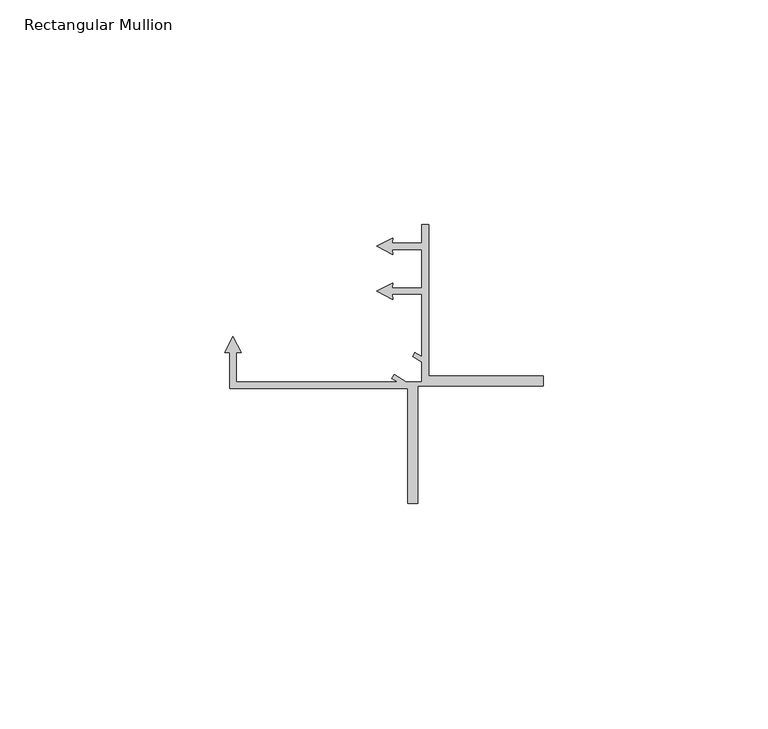
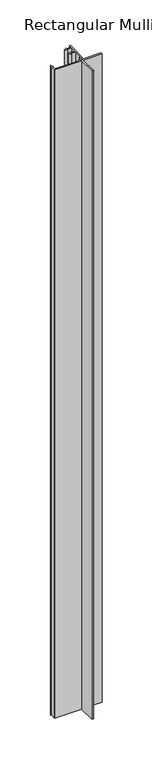
"""IFC4 building model written with IfcOpenShell, lengths in millimetres: member geometry, Rectangular Mullion."""

from ifc_helpers import new_model, si_unit, origin, place, context, project, spatial, faceted_brep, source, transform, mapped, element, save


def rectangular_mullion_3e41cb3b(model_context):
    return source(origin(), model_context, "Body", "Brep", [
        faceted_brep([(-30.1, -36.5, 0.0), (-30.1, -62.0, 0.0), (-27.9, -62.0, 0.0), (-27.9, -35.9, 0.0), (0.0, -35.9, 0.0), (0.0, -33.7, 0.0), (-25.5, -33.7, 0.0), (-25.5, 0.0, 0.0), (-27.0, 0.0, 0.0), (-27.0, -4.101302, 0.0), (-33.600333, -4.101302, 0.0), (-33.5027181, -2.985559, 0.0), (-37.0663055, -4.8012956, 0.0), (-33.5027181, -6.6170322, 0.0), (-33.6003318, -5.5013022, 0.0), (-27.0, -5.5013022, 0.0), (-27.0, -14.1013012, 0.0), (-33.600333, -14.1013012, 0.0), (-33.5027181, -12.9855581, 0.0), (-37.0663055, -14.8012947, 0.0), (-33.5027181, -16.6170313, 0.0), (-33.6003318, -15.5013013, 0.0), (-27.0, -15.5013013, 0.0), (-27.0, -29.3830709, 0.0), (-28.5275891, -28.4652028, 0.0), (-29.0426272, -29.3223701, 0.0), (-27.0, -30.5497044, 0.0), (-27.0, -34.9987534, 0.0), (-30.4447739, -34.9987534, 0.0), (-33.1710641, -33.3606329, 0.0), (-33.6863398, -34.2181955, 0.0), (-32.3872734, -34.9987534, 0.0), (-68.3, -34.9987534, 0.0), (-68.3, -28.4038203, 0.0), (-67.1842621, -28.5014348, 0.0), (-69.0, -24.9378485, 0.0), (-70.8157379, -28.5014348, 0.0), (-69.7, -28.4038203, 0.0), (-69.7, -35.0339325, 0.0), (-69.688057, -36.5, 0.0), (-30.1, -36.5, -1000.0), (-69.688057, -36.5, -1000.0), (-69.688057, -35.0339325, -1000.0), (-69.7, -28.4038203, -1000.0), (-70.8157379, -28.5014348, -1000.0), (-69.0, -24.9378485, -1000.0), (-67.1842621, -28.5014348, -1000.0), (-68.3, -28.4038203, -1000.0), (-68.3, -34.9987534, -1000.0), (-32.3872734, -34.9987534, -1000.0), (-33.6863398, -34.2181955, -1000.0), (-33.1710641, -33.3606329, -1000.0), (-30.4447739, -34.9987534, -1000.0), (-27.0, -34.9987534, -1000.0), (-27.0, -30.5497044, -1000.0), (-29.0426272, -29.3223701, -1000.0), (-28.5275891, -28.4652028, -1000.0), (-27.0, -29.3830709, -1000.0), (-27.0, -15.5013013, -1000.0), (-33.6003318, -15.5013013, -1000.0), (-33.5027181, -16.6170313, -1000.0), (-37.0663055, -14.8012947, -1000.0), (-33.5027181, -12.9855581, -1000.0), (-33.600333, -14.1013012, -1000.0), (-27.0, -14.1013012, -1000.0), (-27.0, -5.5013022, -1000.0), (-33.6003318, -5.5013022, -1000.0), (-33.5027181, -6.6170322, -1000.0), (-37.0663055, -4.8012956, -1000.0), (-33.5027181, -2.985559, -1000.0), (-33.600333, -4.101302, -1000.0), (-27.0, -4.101302, -1000.0), (-27.0, 0.0, -1000.0), (-25.5, 0.0, -1000.0), (-25.5, -33.7, -1000.0), (0.0, -33.7, -1000.0), (0.0, -35.9, -1000.0), (-27.9, -35.9, -1000.0), (-27.9, -62.0, -1000.0), (-30.1, -62.0, -1000.0)], [[[0, 1, 2, 3, 4, 5, 6, 7, 8, 9, 10, 11, 12, 13, 14, 15, 16, 17, 18, 19, 20, 21, 22, 23, 24, 25, 26, 27, 28, 29, 30, 31, 32, 33, 34, 35, 36, 37, 38, 39]], [[40, 41, 42, 43, 44, 45, 46, 47, 48, 49, 50, 51, 52, 53, 54, 55, 56, 57, 58, 59, 60, 61, 62, 63, 64, 65, 66, 67, 68, 69, 70, 71, 72, 73, 74, 75, 76, 77, 78, 79]], [[1, 0, 40, 79]], [[2, 1, 79, 78]], [[3, 2, 78, 77]], [[4, 3, 77, 76]], [[5, 4, 76, 75]], [[6, 5, 75, 74]], [[7, 6, 74, 73]], [[8, 7, 73, 72]], [[9, 8, 72, 71]], [[10, 9, 71, 70]], [[11, 10, 70, 69]], [[12, 11, 69, 68]], [[13, 12, 68, 67]], [[14, 13, 67, 66]], [[15, 14, 66, 65]], [[16, 15, 65, 64]], [[17, 16, 64, 63]], [[18, 17, 63, 62]], [[19, 18, 62, 61]], [[20, 19, 61, 60]], [[21, 20, 60, 59]], [[22, 21, 59, 58]], [[23, 22, 58, 57]], [[24, 23, 57, 56]], [[25, 24, 56, 55]], [[26, 25, 55, 54]], [[27, 26, 54, 53]], [[28, 27, 53, 52]], [[29, 28, 52, 51]], [[30, 29, 51, 50]], [[31, 30, 50, 49]], [[32, 31, 49, 48]], [[33, 32, 48, 47]], [[34, 33, 47, 46]], [[35, 34, 46, 45]], [[36, 35, 45, 44]], [[37, 36, 44, 43]], [[38, 37, 43, 42]], [[39, 38, 42, 41]], [[0, 39, 41, 40]]]),
    ])


if __name__ == "__main__":
    model = new_model("IFC4")
    model_context = context("Model", 3, world=origin())
    ifc_project = project(units=[si_unit("LENGTHUNIT", "METRE", prefix="MILLI")], contexts=[model_context])
    site = spatial("IfcSite", under=ifc_project)
    building = spatial("IfcBuilding", under=site)
    placement = place(None, origin())
    rectangular_mullion_shape = rectangular_mullion_3e41cb3b(model_context)
    element("IfcMember", 1, ObjectType="Rectangular Mullion", at=placement, inside=building, context=model_context, shape_type="MappedRepresentation", body=[
        mapped(rectangular_mullion_shape, transform((0.0, 0.0, 0.0), x_axis=(1.0, 0.0, 0.0), y_axis=(0.0, 1.0, 0.0), z_axis=(0.0, 0.0, 1.0))),
    ])
    save(model, "model.ifc")
